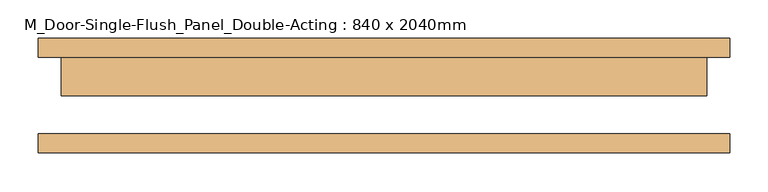
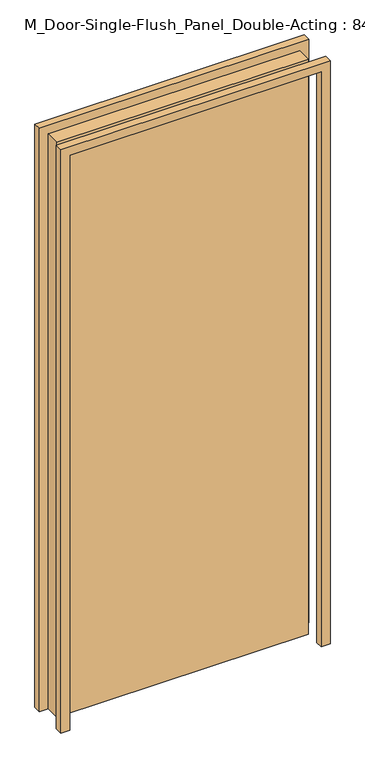
"""IFC4 building model written with IfcOpenShell, lengths in millimetres: door geometry, M_Door-Single-Flush_Panel_Double-Acting : 840 x 2040mm."""

from ifc_helpers import new_model, si_unit, frame, origin, origin_with_axes, place, context, project, spatial, polyline, outline, extrude, source, transform, mapped, element, save


def m_door_single_flush_panel_double_acting_840_x_2040mm_b770caa9(model_context):
    return source(origin(), model_context, "Body", "SweptSolid", [
        extrude(outline(polyline([(422.0, 0.0), (-422.0, 0.0), (-422.0, 50.0), (422.0, 50.0), (422.0, 0.0)])), origin_with_axes(), (0.0, 0.0, 1.0), 2040.0),
        extrude(outline(polyline([(0.0, -422.0), (2040.0, -422.0), (2040.0, 422.0), (0.0, 422.0), (0.0, 452.0), (2070.0, 452.0), (2070.0, -452.0), (0.0, -452.0), (0.0, -422.0)])), frame((0.0, 50.0, 0.0), z_axis=(0.0, 1.0, 0.0), x_axis=(0.0, 0.0, 1.0)), (0.0, 0.0, 1.0), 25.0),
        extrude(outline(polyline([(0.0, 422.0), (0.0, 452.0), (2070.0, 452.0), (2070.0, -452.0), (0.0, -452.0), (0.0, -422.0), (2040.0, -422.0), (2040.0, 422.0), (0.0, 422.0)])), frame((0.0, -75.0, 0.0), z_axis=(0.0, 1.0, 0.0), x_axis=(0.0, 0.0, 1.0)), (0.0, 0.0, 1.0), 25.0),
    ])


if __name__ == "__main__":
    model = new_model("IFC4")
    model_context = context("Model", 3, world=origin())
    ifc_project = project(units=[si_unit("LENGTHUNIT", "METRE", prefix="MILLI")], contexts=[model_context])
    site = spatial("IfcSite", under=ifc_project)
    building = spatial("IfcBuilding", under=site)
    placement = place(None, origin())
    m_door_single_flush_panel_double_acting_840_x_2040mm_shape = m_door_single_flush_panel_double_acting_840_x_2040mm_b770caa9(model_context)
    element("IfcDoor", 1, ObjectType="M_Door-Single-Flush_Panel_Double-Acting : 840 x 2040mm", at=placement, inside=building, context=model_context, shape_type="MappedRepresentation", body=[
        mapped(m_door_single_flush_panel_double_acting_840_x_2040mm_shape, transform((0.0, 0.0, 0.0), x_axis=(1.0, 0.0, 0.0), y_axis=(0.0, 1.0, 0.0), z_axis=(0.0, 0.0, 1.0))),
    ])
    save(model, "model.ifc")
